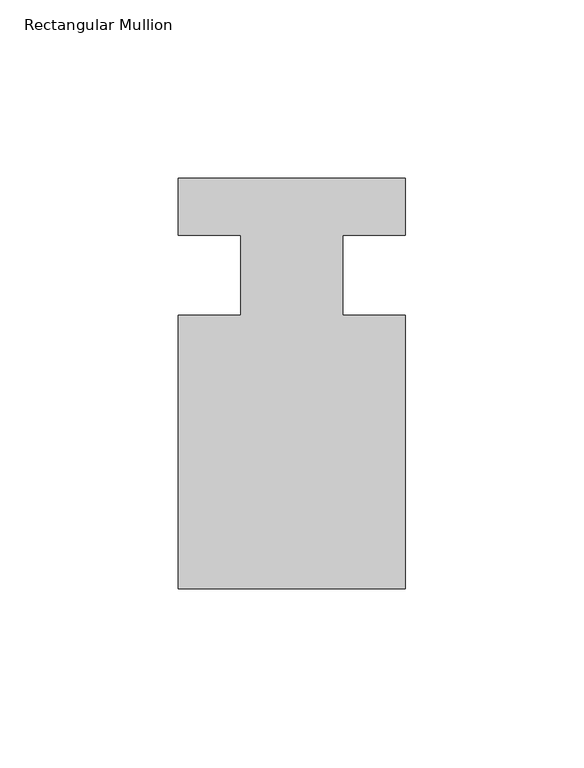
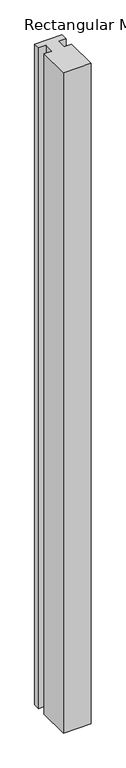
"""IFC4 building model written with IfcOpenShell, lengths in millimetres: member geometry, Rectangular Mullion."""

from ifc_helpers import new_model, si_unit, frame, origin, place, context, project, spatial, polyline, outline, extrude, source, transform, mapped, element, save


def rectangular_mullion_8452cd1a(model_context):
    return source(origin(), model_context, "Body", "SweptSolid", [
        extrude(outline(polyline([(31.75, -114.5309812), (-31.75, -114.5309812), (-31.75, -38.0007813), (-14.2875, -38.0007812), (-14.2875, -15.5217812), (-31.75, -15.5217812), (-31.75, 0.3278188), (31.75, 0.3278188), (31.75, -15.5217812), (14.2875, -15.5217812), (14.2875, -38.0007813), (31.75, -38.0007813), (31.75, -114.5309812)])), frame((0.0, 0.0, -1612.9), z_axis=(0.0, 0.0, 1.0), x_axis=(1.0, 0.0, 0.0)), (0.0, 0.0, 1.0), 1612.9),
    ])


if __name__ == "__main__":
    model = new_model("IFC4")
    model_context = context("Model", 3, world=origin())
    ifc_project = project(units=[si_unit("LENGTHUNIT", "METRE", prefix="MILLI")], contexts=[model_context])
    site = spatial("IfcSite", under=ifc_project)
    building = spatial("IfcBuilding", under=site)
    placement = place(None, origin())
    rectangular_mullion_shape = rectangular_mullion_8452cd1a(model_context)
    element("IfcMember", 1, ObjectType="Rectangular Mullion", at=placement, inside=building, context=model_context, shape_type="MappedRepresentation", body=[
        mapped(rectangular_mullion_shape, transform((0.0, 0.0, 0.0), x_axis=(1.0, 0.0, 0.0), y_axis=(0.0, 1.0, 0.0), z_axis=(0.0, 0.0, 1.0))),
    ])
    save(model, "model.ifc")
